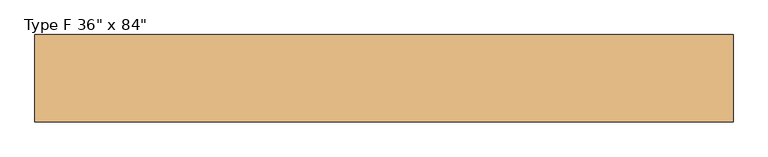
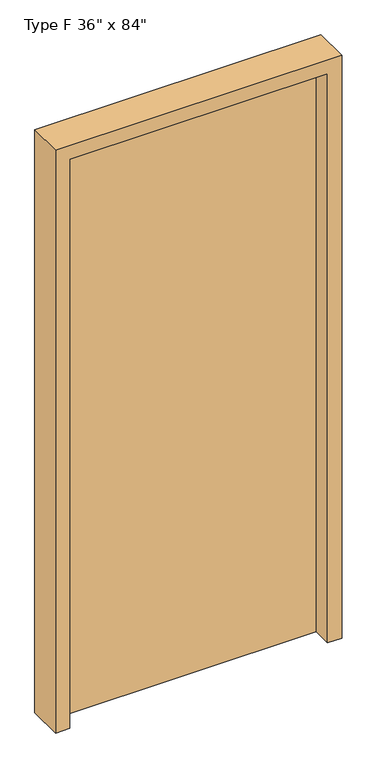
"""IFC4 building model written with IfcOpenShell, lengths in millimetres: door geometry."""

from ifc_helpers import new_model, si_unit, frame, origin, origin_with_axes, place, context, project, spatial, polyline, outline, extrude, source, transform, mapped, element, save


def door_442cdb69(model_context):
    return source(origin(), model_context, "Body", "SweptSolid", [
        extrude(outline(polyline([(-457.2, 58.8600506), (457.2, 58.8600506), (457.2, 14.4100506), (-457.2, 14.4100506), (-457.2, 58.8600506)])), origin_with_axes(), (0.0, 0.0, 1.0), 2133.6),
        extrude(outline(polyline([(2184.4, -508.0), (0.0, -508.0), (0.0, -457.2), (2133.6, -457.2), (2133.6, 457.2), (0.0, 457.2), (0.0, 508.0), (2184.4, 508.0), (2184.4, -508.0)])), frame((0.0, -55.4399494, 0.0), z_axis=(0.0, 1.0, 0.0), x_axis=(0.0, 0.0, 1.0)), (0.0, 0.0, 1.0), 127.0),
    ])


if __name__ == "__main__":
    model = new_model("IFC4")
    model_context = context("Model", 3, world=origin())
    ifc_project = project(units=[si_unit("LENGTHUNIT", "METRE", prefix="MILLI")], contexts=[model_context])
    site = spatial("IfcSite", under=ifc_project)
    building = spatial("IfcBuilding", under=site)
    placement = place(None, origin())
    door_shape = door_442cdb69(model_context)
    element("IfcDoor", 1, ObjectType="Type F 36\" x 84\"", at=placement, inside=building, context=model_context, shape_type="MappedRepresentation", body=[
        mapped(door_shape, transform((0.0, 0.0, 0.0), x_axis=(1.0, 0.0, 0.0), y_axis=(0.0, 1.0, 0.0), z_axis=(0.0, 0.0, 1.0))),
    ])
    save(model, "model.ifc")
